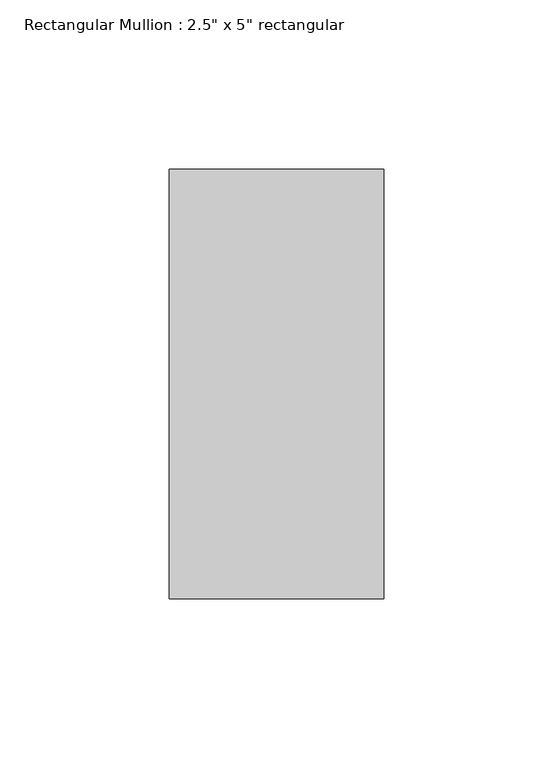
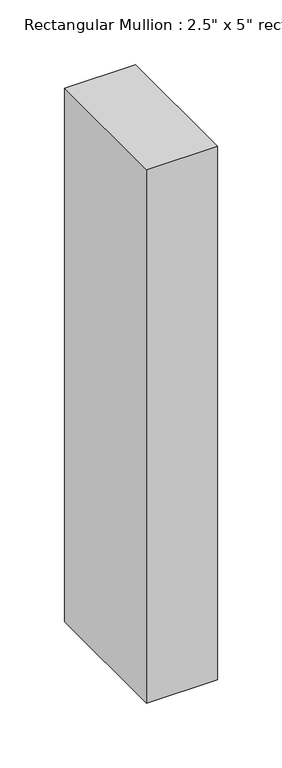
"""IFC4 building model written with IfcOpenShell, lengths in millimetres: member geometry."""

from ifc_helpers import new_model, si_unit, frame, origin, place, context, project, spatial, polyline, outline, extrude, source, transform, mapped, element, save


def member_1141085d(model_context):
    return source(origin(), model_context, "Body", "SweptSolid", [
        extrude(outline(polyline([(0.0, 63.5), (0.0, -63.5), (-63.5, -63.5), (-63.5, 63.5), (0.0, 63.5)])), frame((0.0, 0.0, -504.75), z_axis=(0.0, 0.0, 1.0), x_axis=(1.0, 0.0, 0.0)), (0.0, 0.0, 1.0), 504.75),
    ])


if __name__ == "__main__":
    model = new_model("IFC4")
    model_context = context("Model", 3, world=origin())
    ifc_project = project(units=[si_unit("LENGTHUNIT", "METRE", prefix="MILLI")], contexts=[model_context])
    site = spatial("IfcSite", under=ifc_project)
    building = spatial("IfcBuilding", under=site)
    placement = place(None, origin())
    member_shape = member_1141085d(model_context)
    element("IfcMember", 1, ObjectType="Rectangular Mullion : 2.5\" x 5\" rectangular", at=placement, inside=building, context=model_context, shape_type="MappedRepresentation", body=[
        mapped(member_shape, transform((0.0, 0.0, 0.0), x_axis=(1.0, 0.0, 0.0), y_axis=(0.0, 1.0, 0.0), z_axis=(0.0, 0.0, 1.0))),
    ])
    save(model, "model.ifc")
